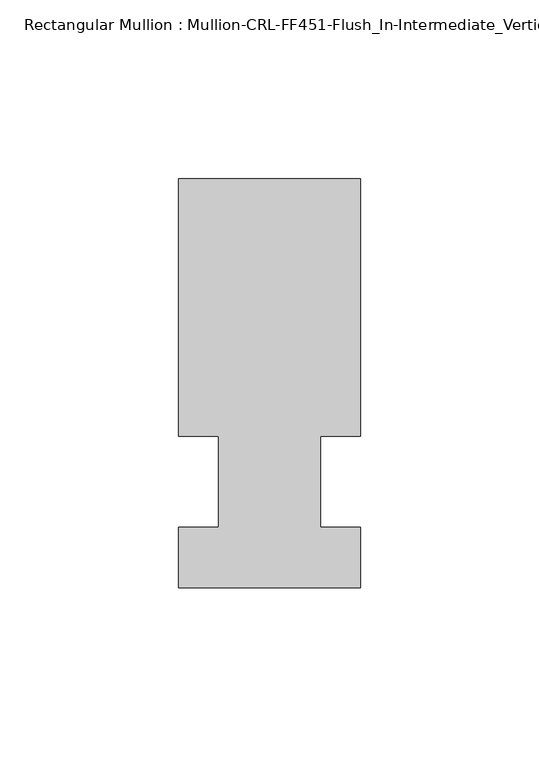
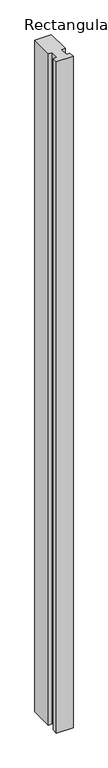
"""IFC4 building model written with IfcOpenShell, lengths in millimetres: member geometry, Rectangular Mullion : Mullion-CRL-FF451-Flush_In-Intermediate_Vertical-Ext."""

from ifc_helpers import new_model, si_unit, frame, origin, place, context, project, spatial, polyline, outline, extrude, source, transform, mapped, element, save


def rectangular_mullion_mullion_crl_ff451_flush_in_intermediate_2c3b6972(model_context):
    return source(origin(), model_context, "Body", "SweptSolid", [
        extrude(outline(polyline([(25.4, -12.7), (25.4, -29.6454132), (-25.4, -29.6454132), (-25.4, -12.7), (-14.2875, -12.7), (-14.2875, 12.7), (-25.4, 12.7), (-25.4, 84.6545868), (25.4, 84.6545868), (25.4, 12.7), (14.2875, 12.7), (14.2875, -12.7), (25.4, -12.7)])), frame((0.0, 0.0, -2174.875), z_axis=(0.0, 0.0, 1.0), x_axis=(1.0, 0.0, 0.0)), (0.0, 0.0, 1.0), 2174.875),
    ])


if __name__ == "__main__":
    model = new_model("IFC4")
    model_context = context("Model", 3, world=origin())
    ifc_project = project(units=[si_unit("LENGTHUNIT", "METRE", prefix="MILLI")], contexts=[model_context])
    site = spatial("IfcSite", under=ifc_project)
    building = spatial("IfcBuilding", under=site)
    placement = place(None, origin())
    rectangular_mullion_mullion_crl_ff451_flush_in_intermediate_shape = rectangular_mullion_mullion_crl_ff451_flush_in_intermediate_2c3b6972(model_context)
    element("IfcMember", 1, ObjectType="Rectangular Mullion : Mullion-CRL-FF451-Flush_In-Intermediate_Vertical-Ext", at=placement, inside=building, context=model_context, shape_type="MappedRepresentation", body=[
        mapped(rectangular_mullion_mullion_crl_ff451_flush_in_intermediate_shape, transform((0.0, 0.0, 0.0), x_axis=(1.0, 0.0, 0.0), y_axis=(0.0, 1.0, 0.0), z_axis=(0.0, 0.0, 1.0))),
    ])
    save(model, "model.ifc")
